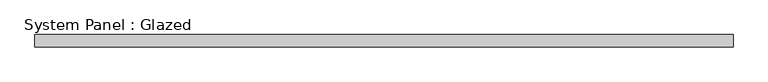
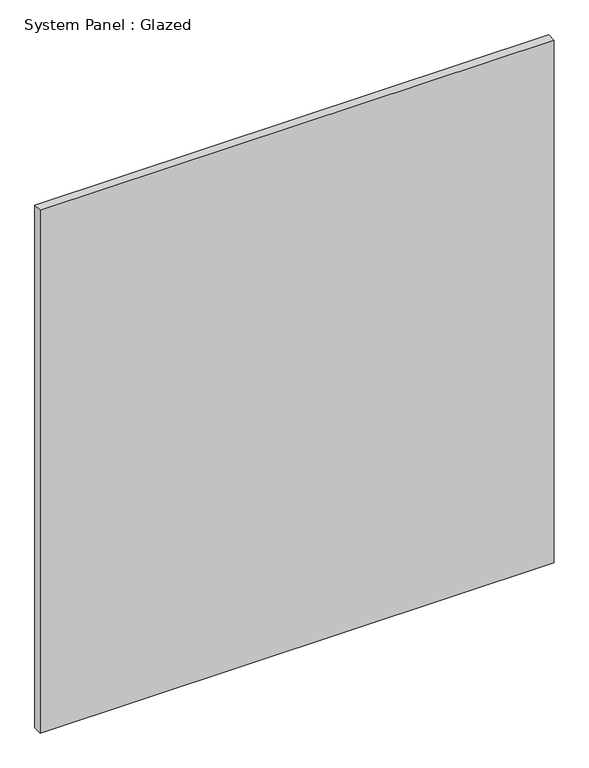
"""IFC4 building model written with IfcOpenShell, lengths in millimetres: plate geometry, System Panel : Glazed."""

from ifc_helpers import new_model, si_unit, origin, origin_with_axes, place, context, project, spatial, polyline, outline, extrude, source, transform, mapped, element, save


def system_panel_glazed_a4479e74(model_context):
    return source(origin(), model_context, "Body", "SweptSolid", [
        extrude(outline(polyline([(709.4468374, 24.5), (-709.4468374, 24.5), (-709.4468374, 49.5), (709.4468374, 49.5), (709.4468374, 24.5)])), origin_with_axes(), (0.0, 0.0, 1.0), 1525.0),
    ])


if __name__ == "__main__":
    model = new_model("IFC4")
    model_context = context("Model", 3, world=origin())
    ifc_project = project(units=[si_unit("LENGTHUNIT", "METRE", prefix="MILLI")], contexts=[model_context])
    site = spatial("IfcSite", under=ifc_project)
    building = spatial("IfcBuilding", under=site)
    placement = place(None, origin())
    system_panel_glazed_shape = system_panel_glazed_a4479e74(model_context)
    element("IfcPlate", 1, ObjectType="System Panel : Glazed", at=placement, inside=building, context=model_context, shape_type="MappedRepresentation", body=[
        mapped(system_panel_glazed_shape, transform((0.0, 0.0, 0.0), x_axis=(1.0, 0.0, 0.0), y_axis=(0.0, 1.0, 0.0), z_axis=(0.0, 0.0, 1.0))),
    ])
    save(model, "model.ifc")
